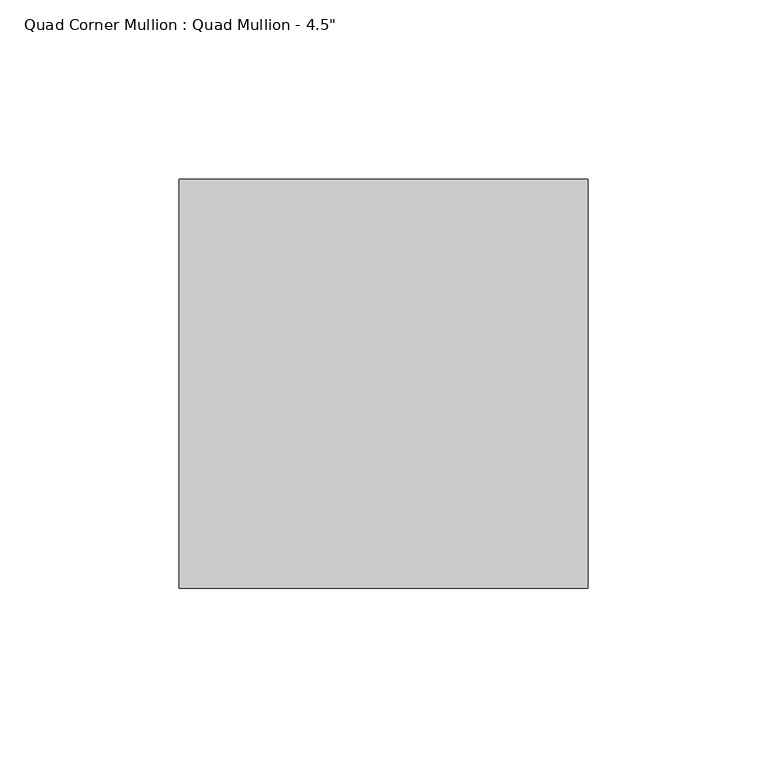
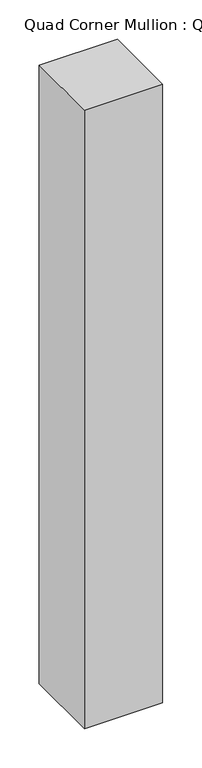
"""IFC4 building model written with IfcOpenShell, lengths in millimetres: member geometry."""

from ifc_helpers import new_model, si_unit, frame, origin, place, context, project, spatial, polyline, outline, extrude, source, transform, mapped, element, save


def member_cdd2d9de(model_context):
    return source(origin(), model_context, "Body", "SweptSolid", [
        extrude(outline(polyline([(57.15, -57.15), (-57.15, -57.15), (-57.15, 57.15), (57.15, 57.15), (57.15, -57.15)])), frame((0.0, 0.0, -956.4076923), z_axis=(0.0, 0.0, 1.0), x_axis=(1.0, 0.0, 0.0)), (0.0, 0.0, 1.0), 956.4076923),
    ])


if __name__ == "__main__":
    model = new_model("IFC4")
    model_context = context("Model", 3, world=origin())
    ifc_project = project(units=[si_unit("LENGTHUNIT", "METRE", prefix="MILLI")], contexts=[model_context])
    site = spatial("IfcSite", under=ifc_project)
    building = spatial("IfcBuilding", under=site)
    placement = place(None, origin())
    member_shape = member_cdd2d9de(model_context)
    element("IfcMember", 1, ObjectType="Quad Corner Mullion : Quad Mullion - 4.5\"", at=placement, inside=building, context=model_context, shape_type="MappedRepresentation", body=[
        mapped(member_shape, transform((0.0, 0.0, 0.0), x_axis=(1.0, 0.0, 0.0), y_axis=(0.0, 1.0, 0.0), z_axis=(0.0, 0.0, 1.0))),
    ])
    save(model, "model.ifc")
